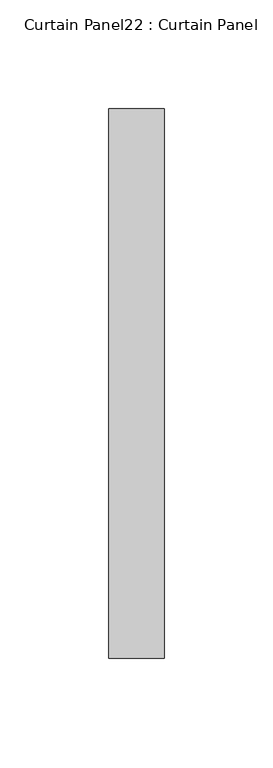
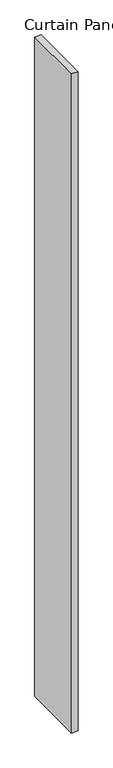
"""IFC4 building model written with IfcOpenShell, lengths in millimetres: plate geometry, Curtain Panel22 : Curtain Panel."""

from ifc_helpers import new_model, si_unit, frame, origin, place, context, project, spatial, polyline, outline, extrude, source, transform, mapped, element, save


def curtain_panel22_curtain_panel_fa8d9fba(model_context):
    return source(origin(), model_context, "Body", "SweptSolid", [
        extrude(outline(polyline([(19296.7675877, 2830.9551428), (19296.7675877, 2578.5663733), (19271.3675877, 2578.5663733), (19271.3675877, 2830.9551428), (19296.7675877, 2830.9551428)])), frame((0.0, 0.0, -633.5446495), z_axis=(0.0, 0.0, 1.0), x_axis=(1.0, 0.0, 0.0)), (0.0, 0.0, 1.0), 2743.2),
    ])


if __name__ == "__main__":
    model = new_model("IFC4")
    model_context = context("Model", 3, world=origin())
    ifc_project = project(units=[si_unit("LENGTHUNIT", "METRE", prefix="MILLI")], contexts=[model_context])
    site = spatial("IfcSite", under=ifc_project)
    building = spatial("IfcBuilding", under=site)
    placement = place(None, origin())
    curtain_panel22_curtain_panel_shape = curtain_panel22_curtain_panel_fa8d9fba(model_context)
    element("IfcPlate", 1, ObjectType="Curtain Panel22 : Curtain Panel", at=placement, inside=building, context=model_context, shape_type="MappedRepresentation", body=[
        mapped(curtain_panel22_curtain_panel_shape, transform((0.0, 0.0, 0.0), x_axis=(1.0, 0.0, 0.0), y_axis=(0.0, 1.0, 0.0), z_axis=(0.0, 0.0, 1.0))),
    ])
    save(model, "model.ifc")
